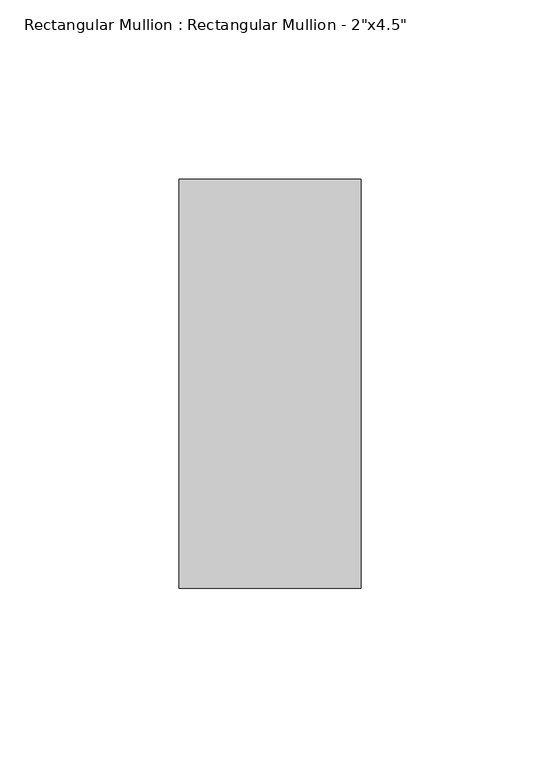
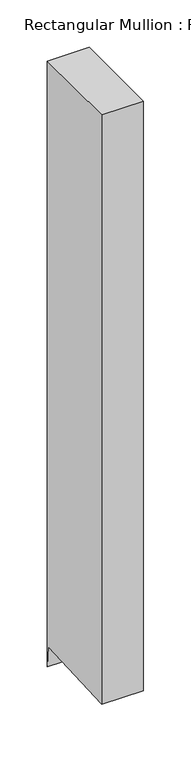
"""IFC4 building model written with IfcOpenShell, lengths in millimetres: member geometry."""

from ifc_helpers import new_model, si_unit, frame, origin, place, context, project, spatial, polyline, outline, extrude, source, transform, mapped, element, save


def member_300949dd(model_context):
    return source(origin(), model_context, "Body", "SweptSolid", [
        extrude(outline(polyline([(-57.15, 0.0), (57.15, 0.0), (57.15, -780.2461581), (55.7174627, -753.3627036), (-57.15, -759.3770666), (-57.15, 0.0)])), frame((-50.8, 0.0, 0.0), z_axis=(1.0, 0.0, 0.0), x_axis=(0.0, 1.0, 0.0)), (0.0, 0.0, 1.0), 50.8),
    ])


if __name__ == "__main__":
    model = new_model("IFC4")
    model_context = context("Model", 3, world=origin())
    ifc_project = project(units=[si_unit("LENGTHUNIT", "METRE", prefix="MILLI")], contexts=[model_context])
    site = spatial("IfcSite", under=ifc_project)
    building = spatial("IfcBuilding", under=site)
    placement = place(None, origin())
    member_shape = member_300949dd(model_context)
    element("IfcMember", 1, ObjectType="Rectangular Mullion : Rectangular Mullion - 2\"x4.5\"", at=placement, inside=building, context=model_context, shape_type="MappedRepresentation", body=[
        mapped(member_shape, transform((0.0, 0.0, 0.0), x_axis=(1.0, 0.0, 0.0), y_axis=(0.0, 1.0, 0.0), z_axis=(0.0, 0.0, 1.0))),
    ])
    save(model, "model.ifc")
